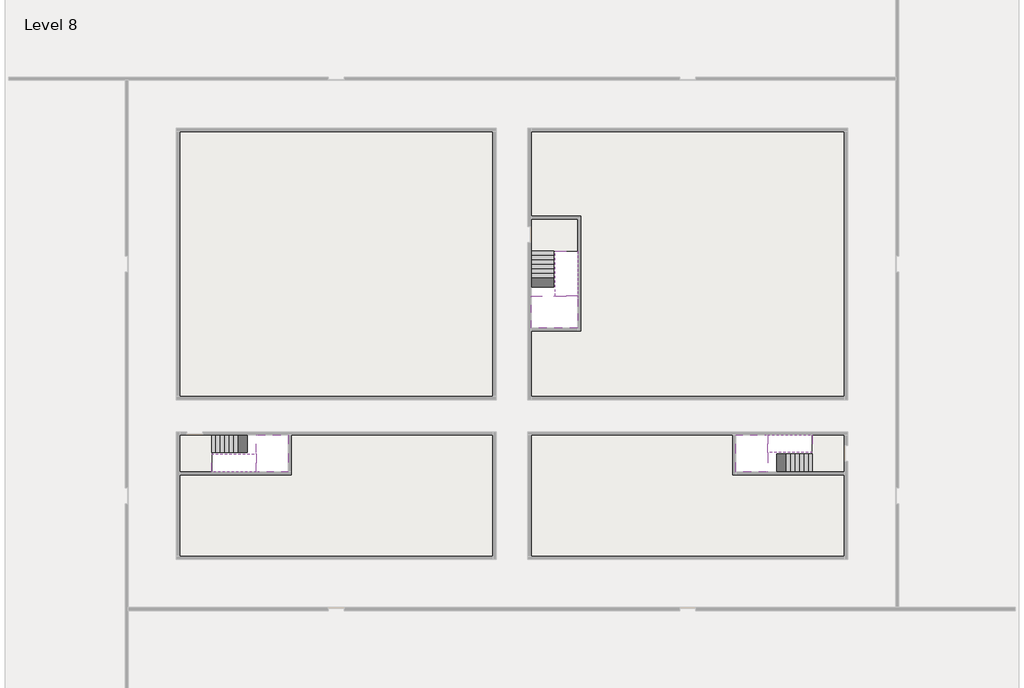
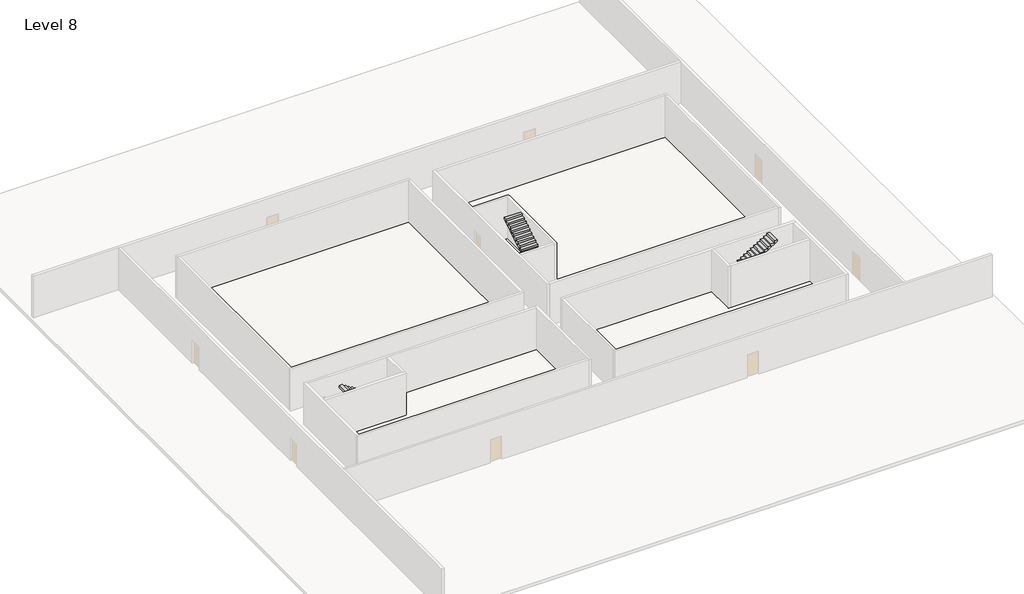
# One storey, part 2 of 2: 6 stair flights, 5 slabs.
"""IFC4 building model written with IfcOpenShell, lengths in millimetres."""

from ifc_helpers import new_model, si_unit, frame, origin, place, context, project, spatial, polyline, outline, extrude, faceted_brep, element, save

model = new_model("IFC4")

# Units and contexts
model_context = context("Model", 3, world=origin())
ifc_project = project(units=[si_unit("LENGTHUNIT", "METRE", prefix="MILLI")], contexts=[model_context])

# Site, building, storey
site = spatial("IfcSite", under=ifc_project)
building = spatial("IfcBuilding", under=site)
storey = spatial("IfcBuildingStorey", under=building, Name="Level 8", Elevation=26600.0)

# Slabs
placement = place(None, origin())
element("IfcSlab", 1, at=placement, inside=storey, context=model_context, shape_type="Brep", body=[
    faceted_brep([(8190.1058784, -42918.09644, 28500.0), (8190.1058784, -44018.09644, 28500.0), (8190.1058784, -44118.09644, 28500.0), (8190.1058784, -45218.09644, 28500.0), (8390.7194421, -45218.09644, 28500.0), (10190.1058784, -45218.09644, 28500.0), (10190.1058784, -42918.09644, 28500.0), (8269.4923146, -42918.09644, 28500.0), (8190.1058784, -42918.09644, 28327.2727273), (8190.1058784, -42918.09644, 28151.0278478), (8190.1058784, -44018.09644, 28151.0278478), (8190.1058784, -44018.09644, 28200.0), (8190.1058784, -44118.09644, 28200.0), (8190.1058784, -44118.09644, 28323.7551205), (8190.1058784, -45218.09644, 28323.7551205), (8390.7194421, -45218.09644, 28200.0), (10190.1058784, -45218.09644, 28200.0), (10190.1058784, -42918.09644, 28200.0), (8269.4923146, -42918.09644, 28200.0), (8390.7194421, -44118.09644, 28200.0), (8269.4923146, -44018.09644, 28200.0)], [[[0, 1, 2, 3, 4, 5, 6, 7]], [[1, 0, 8, 9, 10, 11]], [[2, 1, 11, 12, 13]], [[3, 2, 13, 14]], [[3, 14, 15, 16, 5, 4]], [[6, 5, 16, 17]], [[9, 8, 0, 7, 6, 17, 18]], [[19, 12, 11, 20, 18, 17, 16, 15]], [[12, 19, 13]], [[18, 20, 10, 9]], [[20, 11, 10]], [[19, 15, 14, 13]]]),
])
element("IfcSlab", 2, at=placement, inside=storey, context=model_context, shape_type="Brep", body=[
    faceted_brep([(40190.1058784, -45218.09644, 28500.0), (40190.1058784, -44118.09644, 28500.0), (40190.1058784, -44018.09644, 28500.0), (40190.1058784, -42918.09644, 28500.0), (39989.4923146, -42918.09644, 28500.0), (38190.1058784, -42918.09644, 28500.0), (38190.1058784, -45218.09644, 28500.0), (40110.7194421, -45218.09644, 28500.0), (40190.1058784, -45218.09644, 28327.2727273), (40190.1058784, -45218.09644, 28151.0278478), (40190.1058784, -44118.09644, 28151.0278478), (40190.1058784, -44118.09644, 28200.0), (40190.1058784, -44018.09644, 28200.0), (40190.1058784, -44018.09644, 28323.7551205), (40190.1058784, -42918.09644, 28323.7551205), (39989.4923146, -42918.09644, 28200.0), (38190.1058784, -42918.09644, 28200.0), (38190.1058784, -45218.09644, 28200.0), (40110.7194421, -45218.09644, 28200.0), (39989.4923146, -44018.09644, 28200.0), (40110.7194421, -44118.09644, 28200.0)], [[[0, 1, 2, 3, 4, 5, 6, 7]], [[1, 0, 8, 9, 10, 11]], [[2, 1, 11, 12, 13]], [[3, 2, 13, 14]], [[3, 14, 15, 16, 5, 4]], [[6, 5, 16, 17]], [[9, 8, 0, 7, 6, 17, 18]], [[19, 12, 11, 20, 18, 17, 16, 15]], [[12, 19, 13]], [[18, 20, 10, 9]], [[20, 11, 10]], [[19, 15, 14, 13]]]),
])
element("IfcSlab", 3, at=placement, inside=storey, context=model_context, shape_type="Brep", body=[
    faceted_brep([(26790.1058784, -34218.09644, 28500.0), (25390.1058784, -34218.09644, 28500.0), (25390.1058784, -34297.4828763, 28500.0), (25390.1058784, -36218.09644, 28500.0), (28290.1058784, -36218.09644, 28500.0), (28290.1058784, -34418.7100038, 28500.0), (28290.1058784, -34218.09644, 28500.0), (26890.1058784, -34218.09644, 28500.0), (26790.1058784, -34218.09644, 28200.0), (26790.1058784, -34218.09644, 28151.0278478), (25390.1058784, -34218.09644, 28151.0278478), (25390.1058784, -34218.09644, 28327.2727273), (25390.1058784, -34297.4828763, 28200.0), (25390.1058784, -36218.09644, 28200.0), (28290.1058784, -36218.09644, 28200.0), (28290.1058784, -34418.7100038, 28200.0), (28290.1058784, -34218.09644, 28323.7551205), (26890.1058784, -34218.09644, 28323.7551205), (26890.1058784, -34218.09644, 28200.0), (26890.1058784, -34418.7100038, 28200.0), (26790.1058784, -34297.4828763, 28200.0)], [[[0, 1, 2, 3, 4, 5, 6, 7]], [[1, 0, 8, 9, 10, 11]], [[1, 11, 10, 12, 13, 3, 2]], [[4, 3, 13, 14]], [[4, 14, 15, 16, 6, 5]], [[7, 6, 16, 17]], [[0, 7, 17, 18, 8]], [[18, 19, 15, 14, 13, 12, 20, 8]], [[19, 18, 17]], [[20, 12, 10, 9]], [[8, 20, 9]], [[15, 19, 17, 16]]]),
])
element("IfcSlab", 4, at=placement, inside=storey, context=model_context, shape_type="SweptSolid", body=[
    extrude(outline(polyline([(22990.1058784, -23918.09644), (22990.1058784, -40518.09644), (3390.1058784, -40518.09644), (3390.1058784, -23918.09644), (22990.1058784, -23918.09644)])), frame((0.0, 0.0, 26300.0), z_axis=(0.0, 0.0, 1.0), x_axis=(1.0, 0.0, 0.0)), (0.0, 0.0, 1.0), 300.0),
    extrude(outline(polyline([(44990.1058784, -23918.09644), (44990.1058784, -40518.09644), (25390.1058784, -40518.09644), (25390.1058784, -36418.09644), (28490.1058784, -36418.09644), (28490.1058784, -29218.09644), (25390.1058784, -29218.09644), (25390.1058784, -23918.09644), (44990.1058784, -23918.09644)])), frame((0.0, 0.0, 26300.0), z_axis=(0.0, 0.0, 1.0), x_axis=(1.0, 0.0, 0.0)), (0.0, 0.0, 1.0), 300.0),
    extrude(outline(polyline([(22990.1058784, -42918.09644), (22990.1058784, -50518.09644), (3390.1058784, -50518.09644), (3390.1058784, -45418.09644), (10390.1058784, -45418.09644), (10390.1058784, -42918.09644), (22990.1058784, -42918.09644)])), frame((0.0, 0.0, 26300.0), z_axis=(0.0, 0.0, 1.0), x_axis=(1.0, 0.0, 0.0)), (0.0, 0.0, 1.0), 300.0),
    extrude(outline(polyline([(37990.1058784, -42918.09644), (37990.1058784, -45418.09644), (44990.1058784, -45418.09644), (44990.1058784, -50518.09644), (25390.1058784, -50518.09644), (25390.1058784, -42918.09644), (37990.1058784, -42918.09644)])), frame((0.0, 0.0, 26300.0), z_axis=(0.0, 0.0, 1.0), x_axis=(1.0, 0.0, 0.0)), (0.0, 0.0, 1.0), 300.0),
])
element("IfcSlab", 5, at=placement, inside=storey, context=model_context, shape_type="SweptSolid", body=[
    extrude(outline(polyline([(44990.1058784, -42918.09644), (44990.1058784, -45218.09644), (42990.1058784, -45218.09644), (42990.1058784, -42918.09644), (44990.1058784, -42918.09644)])), frame((0.0, 0.0, 26300.0), z_axis=(0.0, 0.0, 1.0), x_axis=(1.0, 0.0, 0.0)), (0.0, 0.0, 1.0), 300.0),
    extrude(outline(polyline([(5390.1058784, -42918.09644), (5390.1058784, -45218.09644), (3390.1058784, -45218.09644), (3390.1058784, -42918.09644), (5390.1058784, -42918.09644)])), frame((0.0, 0.0, 26300.0), z_axis=(0.0, 0.0, 1.0), x_axis=(1.0, 0.0, 0.0)), (0.0, 0.0, 1.0), 300.0),
    extrude(outline(polyline([(28290.1058784, -29418.09644), (28290.1058784, -31418.09644), (25390.1058784, -31418.09644), (25390.1058784, -29418.09644), (28290.1058784, -29418.09644)])), frame((0.0, 0.0, 26300.0), z_axis=(0.0, 0.0, 1.0), x_axis=(1.0, 0.0, 0.0)), (0.0, 0.0, 1.0), 300.0),
])

# Stair flights
element("IfcStairFlight", 6, at=placement, inside=storey, context=model_context, shape_type="Brep", body=[
    faceted_brep([(5670.1058784, -42918.09644, 26772.7272727), (5390.1058784, -42918.09644, 26772.7272727), (5390.1058784, -44018.09644, 26772.7272727), (5670.1058784, -44018.09644, 26772.7272727), (5670.1058784, -42918.09644, 26600.0), (5390.1058784, -42918.09644, 26600.0), (5390.1058784, -44018.09644, 26600.0), (5670.1058784, -44018.09644, 26600.0), (5950.1058784, -42918.09644, 26945.4545455), (5670.1058784, -42918.09644, 26945.4545455), (5670.1058784, -44018.09644, 26945.4545455), (5950.1058784, -44018.09644, 26945.4545455), (5950.1058784, -42918.09644, 26769.209666), (5675.8081041, -42918.09644, 26600.0), (5675.8081041, -44018.09644, 26600.0), (5950.1058784, -44018.09644, 26769.209666), (6230.1058784, -42918.09644, 27118.1818182), (5950.1058784, -42918.09644, 27118.1818182), (5950.1058784, -44018.09644, 27118.1818182), (6230.1058784, -44018.09644, 27118.1818182), (6230.1058784, -42918.09644, 26941.9369387), (6230.1058784, -44018.09644, 26941.9369387), (6510.1058784, -42918.09644, 27290.9090909), (6230.1058784, -42918.09644, 27290.9090909), (6230.1058784, -44018.09644, 27290.9090909), (6510.1058784, -44018.09644, 27290.9090909), (6510.1058784, -42918.09644, 27114.6642114), (6510.1058784, -44018.09644, 27114.6642114), (6790.1058784, -42918.09644, 27463.6363636), (6510.1058784, -42918.09644, 27463.6363636), (6510.1058784, -44018.09644, 27463.6363636), (6790.1058784, -44018.09644, 27463.6363636), (6790.1058784, -42918.09644, 27287.3914841), (6790.1058784, -44018.09644, 27287.3914841), (7070.1058784, -42918.09644, 27636.3636364), (6790.1058784, -42918.09644, 27636.3636364), (6790.1058784, -44018.09644, 27636.3636364), (7070.1058784, -44018.09644, 27636.3636364), (7070.1058784, -42918.09644, 27460.1187569), (7070.1058784, -44018.09644, 27460.1187569), (7350.1058784, -42918.09644, 27809.0909091), (7070.1058784, -42918.09644, 27809.0909091), (7070.1058784, -44018.09644, 27809.0909091), (7350.1058784, -44018.09644, 27809.0909091), (7350.1058784, -42918.09644, 27632.8460296), (7350.1058784, -44018.09644, 27632.8460296), (7630.1058784, -42918.09644, 27981.8181818), (7350.1058784, -42918.09644, 27981.8181818), (7350.1058784, -44018.09644, 27981.8181818), (7630.1058784, -44018.09644, 27981.8181818), (7630.1058784, -42918.09644, 27805.5733023), (7630.1058784, -44018.09644, 27805.5733023), (7910.1058784, -42918.09644, 28154.5454545), (7630.1058784, -42918.09644, 28154.5454545), (7630.1058784, -44018.09644, 28154.5454545), (7910.1058784, -44018.09644, 28154.5454545), (7910.1058784, -42918.09644, 27978.3005751), (7910.1058784, -44018.09644, 27978.3005751), (8190.1058784, -42918.09644, 28327.2727273), (7910.1058784, -42918.09644, 28327.2727273), (7910.1058784, -44018.09644, 28327.2727273), (8190.1058784, -44018.09644, 28327.2727273), (8190.1058784, -42918.09644, 28151.0278478), (8190.1058784, -44018.09644, 28151.0278478), (8190.1058784, -44018.09644, 28200.0)], [[[0, 1, 2, 3]], [[1, 0, 4, 5]], [[2, 1, 5, 6]], [[3, 2, 6, 7]], [[8, 9, 10, 11]], [[4, 0, 9, 8, 12, 13]], [[0, 3, 10, 9]], [[3, 7, 14, 15, 11, 10]], [[16, 17, 18, 19]], [[17, 16, 20, 12, 8]], [[8, 11, 18, 17]], [[19, 18, 11, 15, 21]], [[22, 23, 24, 25]], [[23, 22, 26, 20, 16]], [[16, 19, 24, 23]], [[25, 24, 19, 21, 27]], [[28, 29, 30, 31]], [[29, 28, 32, 26, 22]], [[22, 25, 30, 29]], [[31, 30, 25, 27, 33]], [[34, 35, 36, 37]], [[35, 34, 38, 32, 28]], [[28, 31, 36, 35]], [[37, 36, 31, 33, 39]], [[40, 41, 42, 43]], [[41, 40, 44, 38, 34]], [[34, 37, 42, 41]], [[43, 42, 37, 39, 45]], [[46, 47, 48, 49]], [[47, 46, 50, 44, 40]], [[40, 43, 48, 47]], [[49, 48, 43, 45, 51]], [[52, 53, 54, 55]], [[53, 52, 56, 50, 46]], [[46, 49, 54, 53]], [[55, 54, 49, 51, 57]], [[58, 59, 60, 61]], [[59, 58, 62, 56, 52]], [[52, 55, 60, 59]], [[61, 60, 55, 57, 63, 64]], [[58, 61, 64, 63, 62]], [[5, 4, 13, 14, 7, 6]], [[14, 13, 12, 20, 26, 32, 38, 44, 50, 56, 62, 63, 57, 51, 45, 39, 33, 27, 21, 15]]]),
])
element("IfcStairFlight", 7, at=placement, inside=storey, context=model_context, shape_type="Brep", body=[
    faceted_brep([(7910.1058784, -45218.09644, 28672.7272727), (8190.1058784, -45218.09644, 28672.7272727), (8190.1058784, -44118.09644, 28672.7272727), (7910.1058784, -44118.09644, 28672.7272727), (7910.1058784, -45218.09644, 28496.4823932), (8190.1058784, -45218.09644, 28323.7551205), (8190.1058784, -45218.09644, 28500.0), (8190.1058784, -44118.09644, 28323.7551205), (7910.1058784, -44118.09644, 28496.4823932), (7630.1058784, -45218.09644, 28845.4545455), (7910.1058784, -45218.09644, 28845.4545455), (7910.1058784, -44118.09644, 28845.4545455), (7630.1058784, -44118.09644, 28845.4545455), (7630.1058784, -45218.09644, 28669.209666), (7630.1058784, -44118.09644, 28669.209666), (7350.1058784, -45218.09644, 29018.1818182), (7630.1058784, -45218.09644, 29018.1818182), (7630.1058784, -44118.09644, 29018.1818182), (7350.1058784, -44118.09644, 29018.1818182), (7350.1058784, -45218.09644, 28841.9369387), (7350.1058784, -44118.09644, 28841.9369387), (7070.1058784, -45218.09644, 29190.9090909), (7350.1058784, -45218.09644, 29190.9090909), (7350.1058784, -44118.09644, 29190.9090909), (7070.1058784, -44118.09644, 29190.9090909), (7070.1058784, -45218.09644, 29014.6642114), (7070.1058784, -44118.09644, 29014.6642114), (6790.1058784, -45218.09644, 29363.6363636), (7070.1058784, -45218.09644, 29363.6363636), (7070.1058784, -44118.09644, 29363.6363636), (6790.1058784, -44118.09644, 29363.6363636), (6790.1058784, -45218.09644, 29187.3914841), (6790.1058784, -44118.09644, 29187.3914841), (6510.1058784, -45218.09644, 29536.3636364), (6790.1058784, -45218.09644, 29536.3636364), (6790.1058784, -44118.09644, 29536.3636364), (6510.1058784, -44118.09644, 29536.3636364), (6510.1058784, -45218.09644, 29360.1187569), (6510.1058784, -44118.09644, 29360.1187569), (6230.1058784, -45218.09644, 29709.0909091), (6510.1058784, -45218.09644, 29709.0909091), (6510.1058784, -44118.09644, 29709.0909091), (6230.1058784, -44118.09644, 29709.0909091), (6230.1058784, -45218.09644, 29532.8460296), (6230.1058784, -44118.09644, 29532.8460296), (5950.1058784, -45218.09644, 29881.8181818), (6230.1058784, -45218.09644, 29881.8181818), (6230.1058784, -44118.09644, 29881.8181818), (5950.1058784, -44118.09644, 29881.8181818), (5950.1058784, -45218.09644, 29705.5733023), (5950.1058784, -44118.09644, 29705.5733023), (5670.1058784, -45218.09644, 30054.5454545), (5950.1058784, -45218.09644, 30054.5454545), (5950.1058784, -44118.09644, 30054.5454545), (5670.1058784, -44118.09644, 30054.5454545), (5670.1058784, -45218.09644, 29878.3005751), (5670.1058784, -44118.09644, 29878.3005751), (5390.1058784, -45218.09644, 30227.2727273), (5670.1058784, -45218.09644, 30227.2727273), (5670.1058784, -44118.09644, 30227.2727273), (5390.1058784, -44118.09644, 30227.2727273), (5390.1058784, -45218.09644, 30051.0278478), (5390.1058784, -44118.09644, 30051.0278478)], [[[0, 1, 2, 3]], [[1, 0, 4, 5, 6]], [[2, 1, 6, 5, 7]], [[3, 2, 7, 8]], [[9, 10, 11, 12]], [[10, 9, 13, 4, 0]], [[11, 10, 0, 3]], [[12, 11, 3, 8, 14]], [[15, 16, 17, 18]], [[16, 15, 19, 13, 9]], [[17, 16, 9, 12]], [[18, 17, 12, 14, 20]], [[21, 22, 23, 24]], [[22, 21, 25, 19, 15]], [[23, 22, 15, 18]], [[24, 23, 18, 20, 26]], [[27, 28, 29, 30]], [[28, 27, 31, 25, 21]], [[29, 28, 21, 24]], [[30, 29, 24, 26, 32]], [[33, 34, 35, 36]], [[34, 33, 37, 31, 27]], [[35, 34, 27, 30]], [[36, 35, 30, 32, 38]], [[39, 40, 41, 42]], [[40, 39, 43, 37, 33]], [[41, 40, 33, 36]], [[42, 41, 36, 38, 44]], [[45, 46, 47, 48]], [[46, 45, 49, 43, 39]], [[47, 46, 39, 42]], [[48, 47, 42, 44, 50]], [[51, 52, 53, 54]], [[52, 51, 55, 49, 45]], [[53, 52, 45, 48]], [[54, 53, 48, 50, 56]], [[57, 58, 59, 60]], [[58, 57, 61, 55, 51]], [[59, 58, 51, 54]], [[60, 59, 54, 56, 62]], [[57, 60, 62, 61]], [[5, 4, 13, 19, 25, 31, 37, 43, 49, 55, 61, 62, 56, 50, 44, 38, 32, 26, 20, 14, 8, 7]]]),
])
element("IfcStairFlight", 8, at=placement, inside=storey, context=model_context, shape_type="Brep", body=[
    faceted_brep([(42710.1058784, -45218.09644, 26772.7272727), (42990.1058784, -45218.09644, 26772.7272727), (42990.1058784, -44118.09644, 26772.7272727), (42710.1058784, -44118.09644, 26772.7272727), (42710.1058784, -45218.09644, 26600.0), (42990.1058784, -45218.09644, 26600.0), (42990.1058784, -44118.09644, 26600.0), (42710.1058784, -44118.09644, 26600.0), (42430.1058784, -45218.09644, 26945.4545455), (42710.1058784, -45218.09644, 26945.4545455), (42710.1058784, -44118.09644, 26945.4545455), (42430.1058784, -44118.09644, 26945.4545455), (42430.1058784, -45218.09644, 26769.209666), (42704.4036527, -45218.09644, 26600.0), (42704.4036527, -44118.09644, 26600.0), (42430.1058784, -44118.09644, 26769.209666), (42150.1058784, -45218.09644, 27118.1818182), (42430.1058784, -45218.09644, 27118.1818182), (42430.1058784, -44118.09644, 27118.1818182), (42150.1058784, -44118.09644, 27118.1818182), (42150.1058784, -45218.09644, 26941.9369387), (42150.1058784, -44118.09644, 26941.9369387), (41870.1058784, -45218.09644, 27290.9090909), (42150.1058784, -45218.09644, 27290.9090909), (42150.1058784, -44118.09644, 27290.9090909), (41870.1058784, -44118.09644, 27290.9090909), (41870.1058784, -45218.09644, 27114.6642114), (41870.1058784, -44118.09644, 27114.6642114), (41590.1058784, -45218.09644, 27463.6363636), (41870.1058784, -45218.09644, 27463.6363636), (41870.1058784, -44118.09644, 27463.6363636), (41590.1058784, -44118.09644, 27463.6363636), (41590.1058784, -45218.09644, 27287.3914841), (41590.1058784, -44118.09644, 27287.3914841), (41310.1058784, -45218.09644, 27636.3636364), (41590.1058784, -45218.09644, 27636.3636364), (41590.1058784, -44118.09644, 27636.3636364), (41310.1058784, -44118.09644, 27636.3636364), (41310.1058784, -45218.09644, 27460.1187569), (41310.1058784, -44118.09644, 27460.1187569), (41030.1058784, -45218.09644, 27809.0909091), (41310.1058784, -45218.09644, 27809.0909091), (41310.1058784, -44118.09644, 27809.0909091), (41030.1058784, -44118.09644, 27809.0909091), (41030.1058784, -45218.09644, 27632.8460296), (41030.1058784, -44118.09644, 27632.8460296), (40750.1058784, -45218.09644, 27981.8181818), (41030.1058784, -45218.09644, 27981.8181818), (41030.1058784, -44118.09644, 27981.8181818), (40750.1058784, -44118.09644, 27981.8181818), (40750.1058784, -45218.09644, 27805.5733023), (40750.1058784, -44118.09644, 27805.5733023), (40470.1058784, -45218.09644, 28154.5454545), (40750.1058784, -45218.09644, 28154.5454545), (40750.1058784, -44118.09644, 28154.5454545), (40470.1058784, -44118.09644, 28154.5454545), (40470.1058784, -45218.09644, 27978.3005751), (40470.1058784, -44118.09644, 27978.3005751), (40190.1058784, -45218.09644, 28327.2727273), (40470.1058784, -45218.09644, 28327.2727273), (40470.1058784, -44118.09644, 28327.2727273), (40190.1058784, -44118.09644, 28327.2727273), (40190.1058784, -45218.09644, 28151.0278478), (40190.1058784, -44118.09644, 28151.0278478), (40190.1058784, -44118.09644, 28200.0)], [[[0, 1, 2, 3]], [[1, 0, 4, 5]], [[2, 1, 5, 6]], [[3, 2, 6, 7]], [[8, 9, 10, 11]], [[4, 0, 9, 8, 12, 13]], [[0, 3, 10, 9]], [[3, 7, 14, 15, 11, 10]], [[16, 17, 18, 19]], [[17, 16, 20, 12, 8]], [[8, 11, 18, 17]], [[19, 18, 11, 15, 21]], [[22, 23, 24, 25]], [[23, 22, 26, 20, 16]], [[16, 19, 24, 23]], [[25, 24, 19, 21, 27]], [[28, 29, 30, 31]], [[29, 28, 32, 26, 22]], [[22, 25, 30, 29]], [[31, 30, 25, 27, 33]], [[34, 35, 36, 37]], [[35, 34, 38, 32, 28]], [[28, 31, 36, 35]], [[37, 36, 31, 33, 39]], [[40, 41, 42, 43]], [[41, 40, 44, 38, 34]], [[34, 37, 42, 41]], [[43, 42, 37, 39, 45]], [[46, 47, 48, 49]], [[47, 46, 50, 44, 40]], [[40, 43, 48, 47]], [[49, 48, 43, 45, 51]], [[52, 53, 54, 55]], [[53, 52, 56, 50, 46]], [[46, 49, 54, 53]], [[55, 54, 49, 51, 57]], [[58, 59, 60, 61]], [[59, 58, 62, 56, 52]], [[52, 55, 60, 59]], [[61, 60, 55, 57, 63, 64]], [[58, 61, 64, 63, 62]], [[5, 4, 13, 14, 7, 6]], [[14, 13, 12, 20, 26, 32, 38, 44, 50, 56, 62, 63, 57, 51, 45, 39, 33, 27, 21, 15]]]),
])
element("IfcStairFlight", 9, at=placement, inside=storey, context=model_context, shape_type="Brep", body=[
    faceted_brep([(40470.1058784, -42918.09644, 28672.7272727), (40190.1058784, -42918.09644, 28672.7272727), (40190.1058784, -44018.09644, 28672.7272727), (40470.1058784, -44018.09644, 28672.7272727), (40470.1058784, -42918.09644, 28496.4823932), (40190.1058784, -42918.09644, 28323.7551205), (40190.1058784, -42918.09644, 28500.0), (40190.1058784, -44018.09644, 28323.7551205), (40470.1058784, -44018.09644, 28496.4823932), (40750.1058784, -42918.09644, 28845.4545455), (40470.1058784, -42918.09644, 28845.4545455), (40470.1058784, -44018.09644, 28845.4545455), (40750.1058784, -44018.09644, 28845.4545455), (40750.1058784, -42918.09644, 28669.209666), (40750.1058784, -44018.09644, 28669.209666), (41030.1058784, -42918.09644, 29018.1818182), (40750.1058784, -42918.09644, 29018.1818182), (40750.1058784, -44018.09644, 29018.1818182), (41030.1058784, -44018.09644, 29018.1818182), (41030.1058784, -42918.09644, 28841.9369387), (41030.1058784, -44018.09644, 28841.9369387), (41310.1058784, -42918.09644, 29190.9090909), (41030.1058784, -42918.09644, 29190.9090909), (41030.1058784, -44018.09644, 29190.9090909), (41310.1058784, -44018.09644, 29190.9090909), (41310.1058784, -42918.09644, 29014.6642114), (41310.1058784, -44018.09644, 29014.6642114), (41590.1058784, -42918.09644, 29363.6363636), (41310.1058784, -42918.09644, 29363.6363636), (41310.1058784, -44018.09644, 29363.6363636), (41590.1058784, -44018.09644, 29363.6363636), (41590.1058784, -42918.09644, 29187.3914841), (41590.1058784, -44018.09644, 29187.3914841), (41870.1058784, -42918.09644, 29536.3636364), (41590.1058784, -42918.09644, 29536.3636364), (41590.1058784, -44018.09644, 29536.3636364), (41870.1058784, -44018.09644, 29536.3636364), (41870.1058784, -42918.09644, 29360.1187569), (41870.1058784, -44018.09644, 29360.1187569), (42150.1058784, -42918.09644, 29709.0909091), (41870.1058784, -42918.09644, 29709.0909091), (41870.1058784, -44018.09644, 29709.0909091), (42150.1058784, -44018.09644, 29709.0909091), (42150.1058784, -42918.09644, 29532.8460296), (42150.1058784, -44018.09644, 29532.8460296), (42430.1058784, -42918.09644, 29881.8181818), (42150.1058784, -42918.09644, 29881.8181818), (42150.1058784, -44018.09644, 29881.8181818), (42430.1058784, -44018.09644, 29881.8181818), (42430.1058784, -42918.09644, 29705.5733023), (42430.1058784, -44018.09644, 29705.5733023), (42710.1058784, -42918.09644, 30054.5454545), (42430.1058784, -42918.09644, 30054.5454545), (42430.1058784, -44018.09644, 30054.5454545), (42710.1058784, -44018.09644, 30054.5454545), (42710.1058784, -42918.09644, 29878.3005751), (42710.1058784, -44018.09644, 29878.3005751), (42990.1058784, -42918.09644, 30227.2727273), (42710.1058784, -42918.09644, 30227.2727273), (42710.1058784, -44018.09644, 30227.2727273), (42990.1058784, -44018.09644, 30227.2727273), (42990.1058784, -42918.09644, 30051.0278478), (42990.1058784, -44018.09644, 30051.0278478)], [[[0, 1, 2, 3]], [[1, 0, 4, 5, 6]], [[2, 1, 6, 5, 7]], [[3, 2, 7, 8]], [[9, 10, 11, 12]], [[10, 9, 13, 4, 0]], [[11, 10, 0, 3]], [[12, 11, 3, 8, 14]], [[15, 16, 17, 18]], [[16, 15, 19, 13, 9]], [[17, 16, 9, 12]], [[18, 17, 12, 14, 20]], [[21, 22, 23, 24]], [[22, 21, 25, 19, 15]], [[23, 22, 15, 18]], [[24, 23, 18, 20, 26]], [[27, 28, 29, 30]], [[28, 27, 31, 25, 21]], [[29, 28, 21, 24]], [[30, 29, 24, 26, 32]], [[33, 34, 35, 36]], [[34, 33, 37, 31, 27]], [[35, 34, 27, 30]], [[36, 35, 30, 32, 38]], [[39, 40, 41, 42]], [[40, 39, 43, 37, 33]], [[41, 40, 33, 36]], [[42, 41, 36, 38, 44]], [[45, 46, 47, 48]], [[46, 45, 49, 43, 39]], [[47, 46, 39, 42]], [[48, 47, 42, 44, 50]], [[51, 52, 53, 54]], [[52, 51, 55, 49, 45]], [[53, 52, 45, 48]], [[54, 53, 48, 50, 56]], [[57, 58, 59, 60]], [[58, 57, 61, 55, 51]], [[59, 58, 51, 54]], [[60, 59, 54, 56, 62]], [[57, 60, 62, 61]], [[5, 4, 13, 19, 25, 31, 37, 43, 49, 55, 61, 62, 56, 50, 44, 38, 32, 26, 20, 14, 8, 7]]]),
])
element("IfcStairFlight", 10, at=placement, inside=storey, context=model_context, shape_type="Brep", body=[
    faceted_brep([(26790.1058784, -31698.09644, 26772.7272727), (26790.1058784, -31418.09644, 26772.7272727), (25390.1058784, -31418.09644, 26772.7272727), (25390.1058784, -31698.09644, 26772.7272727), (26790.1058784, -31698.09644, 26600.0), (26790.1058784, -31418.09644, 26600.0), (25390.1058784, -31418.09644, 26600.0), (25390.1058784, -31698.09644, 26600.0), (26790.1058784, -31978.09644, 26945.4545455), (26790.1058784, -31698.09644, 26945.4545455), (25390.1058784, -31698.09644, 26945.4545455), (25390.1058784, -31978.09644, 26945.4545455), (26790.1058784, -31978.09644, 26769.209666), (26790.1058784, -31703.7986657, 26600.0), (25390.1058784, -31703.7986657, 26600.0), (25390.1058784, -31978.09644, 26769.209666), (26790.1058784, -32258.09644, 27118.1818182), (26790.1058784, -31978.09644, 27118.1818182), (25390.1058784, -31978.09644, 27118.1818182), (25390.1058784, -32258.09644, 27118.1818182), (26790.1058784, -32258.09644, 26941.9369387), (25390.1058784, -32258.09644, 26941.9369387), (26790.1058784, -32538.09644, 27290.9090909), (26790.1058784, -32258.09644, 27290.9090909), (25390.1058784, -32258.09644, 27290.9090909), (25390.1058784, -32538.09644, 27290.9090909), (26790.1058784, -32538.09644, 27114.6642114), (25390.1058784, -32538.09644, 27114.6642114), (26790.1058784, -32818.09644, 27463.6363636), (26790.1058784, -32538.09644, 27463.6363636), (25390.1058784, -32538.09644, 27463.6363636), (25390.1058784, -32818.09644, 27463.6363636), (26790.1058784, -32818.09644, 27287.3914841), (25390.1058784, -32818.09644, 27287.3914841), (26790.1058784, -33098.09644, 27636.3636364), (26790.1058784, -32818.09644, 27636.3636364), (25390.1058784, -32818.09644, 27636.3636364), (25390.1058784, -33098.09644, 27636.3636364), (26790.1058784, -33098.09644, 27460.1187569), (25390.1058784, -33098.09644, 27460.1187569), (26790.1058784, -33378.09644, 27809.0909091), (26790.1058784, -33098.09644, 27809.0909091), (25390.1058784, -33098.09644, 27809.0909091), (25390.1058784, -33378.09644, 27809.0909091), (26790.1058784, -33378.09644, 27632.8460296), (25390.1058784, -33378.09644, 27632.8460296), (26790.1058784, -33658.09644, 27981.8181818), (26790.1058784, -33378.09644, 27981.8181818), (25390.1058784, -33378.09644, 27981.8181818), (25390.1058784, -33658.09644, 27981.8181818), (26790.1058784, -33658.09644, 27805.5733023), (25390.1058784, -33658.09644, 27805.5733023), (26790.1058784, -33938.09644, 28154.5454545), (26790.1058784, -33658.09644, 28154.5454545), (25390.1058784, -33658.09644, 28154.5454545), (25390.1058784, -33938.09644, 28154.5454545), (26790.1058784, -33938.09644, 27978.3005751), (25390.1058784, -33938.09644, 27978.3005751), (26790.1058784, -34218.09644, 28327.2727273), (26790.1058784, -33938.09644, 28327.2727273), (25390.1058784, -33938.09644, 28327.2727273), (25390.1058784, -34218.09644, 28327.2727273), (26790.1058784, -34218.09644, 28200.0), (26790.1058784, -34218.09644, 28151.0278478), (25390.1058784, -34218.09644, 28151.0278478)], [[[0, 1, 2, 3]], [[1, 0, 4, 5]], [[2, 1, 5, 6]], [[3, 2, 6, 7]], [[8, 9, 10, 11]], [[4, 0, 9, 8, 12, 13]], [[0, 3, 10, 9]], [[3, 7, 14, 15, 11, 10]], [[16, 17, 18, 19]], [[17, 16, 20, 12, 8]], [[8, 11, 18, 17]], [[19, 18, 11, 15, 21]], [[22, 23, 24, 25]], [[23, 22, 26, 20, 16]], [[16, 19, 24, 23]], [[25, 24, 19, 21, 27]], [[28, 29, 30, 31]], [[29, 28, 32, 26, 22]], [[22, 25, 30, 29]], [[31, 30, 25, 27, 33]], [[34, 35, 36, 37]], [[35, 34, 38, 32, 28]], [[28, 31, 36, 35]], [[37, 36, 31, 33, 39]], [[40, 41, 42, 43]], [[41, 40, 44, 38, 34]], [[34, 37, 42, 41]], [[43, 42, 37, 39, 45]], [[46, 47, 48, 49]], [[47, 46, 50, 44, 40]], [[40, 43, 48, 47]], [[49, 48, 43, 45, 51]], [[52, 53, 54, 55]], [[53, 52, 56, 50, 46]], [[46, 49, 54, 53]], [[55, 54, 49, 51, 57]], [[58, 59, 60, 61]], [[59, 58, 62, 63, 56, 52]], [[52, 55, 60, 59]], [[61, 60, 55, 57, 64]], [[58, 61, 64, 63, 62]], [[5, 4, 13, 14, 7, 6]], [[14, 13, 12, 20, 26, 32, 38, 44, 50, 56, 63, 64, 57, 51, 45, 39, 33, 27, 21, 15]]]),
])
element("IfcStairFlight", 11, at=placement, inside=storey, context=model_context, shape_type="Brep", body=[
    faceted_brep([(26890.1058784, -33938.09644, 28672.7272727), (26890.1058784, -34218.09644, 28672.7272727), (28290.1058784, -34218.09644, 28672.7272727), (28290.1058784, -33938.09644, 28672.7272727), (26890.1058784, -33938.09644, 28496.4823932), (26890.1058784, -34218.09644, 28323.7551205), (28290.1058784, -34218.09644, 28323.7551205), (28290.1058784, -34218.09644, 28500.0), (28290.1058784, -33938.09644, 28496.4823932), (26890.1058784, -33658.09644, 28845.4545455), (26890.1058784, -33938.09644, 28845.4545455), (28290.1058784, -33938.09644, 28845.4545455), (28290.1058784, -33658.09644, 28845.4545455), (26890.1058784, -33658.09644, 28669.209666), (28290.1058784, -33658.09644, 28669.209666), (26890.1058784, -33378.09644, 29018.1818182), (26890.1058784, -33658.09644, 29018.1818182), (28290.1058784, -33658.09644, 29018.1818182), (28290.1058784, -33378.09644, 29018.1818182), (26890.1058784, -33378.09644, 28841.9369387), (28290.1058784, -33378.09644, 28841.9369387), (26890.1058784, -33098.09644, 29190.9090909), (26890.1058784, -33378.09644, 29190.9090909), (28290.1058784, -33378.09644, 29190.9090909), (28290.1058784, -33098.09644, 29190.9090909), (26890.1058784, -33098.09644, 29014.6642114), (28290.1058784, -33098.09644, 29014.6642114), (26890.1058784, -32818.09644, 29363.6363636), (26890.1058784, -33098.09644, 29363.6363636), (28290.1058784, -33098.09644, 29363.6363636), (28290.1058784, -32818.09644, 29363.6363636), (26890.1058784, -32818.09644, 29187.3914841), (28290.1058784, -32818.09644, 29187.3914841), (26890.1058784, -32538.09644, 29536.3636364), (26890.1058784, -32818.09644, 29536.3636364), (28290.1058784, -32818.09644, 29536.3636364), (28290.1058784, -32538.09644, 29536.3636364), (26890.1058784, -32538.09644, 29360.1187569), (28290.1058784, -32538.09644, 29360.1187569), (26890.1058784, -32258.09644, 29709.0909091), (26890.1058784, -32538.09644, 29709.0909091), (28290.1058784, -32538.09644, 29709.0909091), (28290.1058784, -32258.09644, 29709.0909091), (26890.1058784, -32258.09644, 29532.8460296), (28290.1058784, -32258.09644, 29532.8460296), (26890.1058784, -31978.09644, 29881.8181818), (26890.1058784, -32258.09644, 29881.8181818), (28290.1058784, -32258.09644, 29881.8181818), (28290.1058784, -31978.09644, 29881.8181818), (26890.1058784, -31978.09644, 29705.5733023), (28290.1058784, -31978.09644, 29705.5733023), (26890.1058784, -31698.09644, 30054.5454545), (26890.1058784, -31978.09644, 30054.5454545), (28290.1058784, -31978.09644, 30054.5454545), (28290.1058784, -31698.09644, 30054.5454545), (26890.1058784, -31698.09644, 29878.3005751), (28290.1058784, -31698.09644, 29878.3005751), (26890.1058784, -31418.09644, 30227.2727273), (26890.1058784, -31698.09644, 30227.2727273), (28290.1058784, -31698.09644, 30227.2727273), (28290.1058784, -31418.09644, 30227.2727273), (26890.1058784, -31418.09644, 30051.0278478), (28290.1058784, -31418.09644, 30051.0278478)], [[[0, 1, 2, 3]], [[1, 0, 4, 5]], [[2, 1, 5, 6, 7]], [[3, 2, 7, 6, 8]], [[9, 10, 11, 12]], [[10, 9, 13, 4, 0]], [[11, 10, 0, 3]], [[12, 11, 3, 8, 14]], [[15, 16, 17, 18]], [[16, 15, 19, 13, 9]], [[17, 16, 9, 12]], [[18, 17, 12, 14, 20]], [[21, 22, 23, 24]], [[22, 21, 25, 19, 15]], [[23, 22, 15, 18]], [[24, 23, 18, 20, 26]], [[27, 28, 29, 30]], [[28, 27, 31, 25, 21]], [[29, 28, 21, 24]], [[30, 29, 24, 26, 32]], [[33, 34, 35, 36]], [[34, 33, 37, 31, 27]], [[35, 34, 27, 30]], [[36, 35, 30, 32, 38]], [[39, 40, 41, 42]], [[40, 39, 43, 37, 33]], [[41, 40, 33, 36]], [[42, 41, 36, 38, 44]], [[45, 46, 47, 48]], [[46, 45, 49, 43, 39]], [[47, 46, 39, 42]], [[48, 47, 42, 44, 50]], [[51, 52, 53, 54]], [[52, 51, 55, 49, 45]], [[53, 52, 45, 48]], [[54, 53, 48, 50, 56]], [[57, 58, 59, 60]], [[58, 57, 61, 55, 51]], [[59, 58, 51, 54]], [[60, 59, 54, 56, 62]], [[57, 60, 62, 61]], [[5, 4, 13, 19, 25, 31, 37, 43, 49, 55, 61, 62, 56, 50, 44, 38, 32, 26, 20, 14, 8, 6]]]),
])

save(model, "model.ifc")
